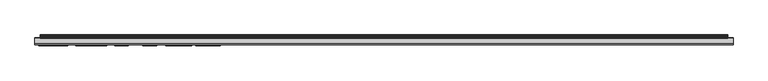
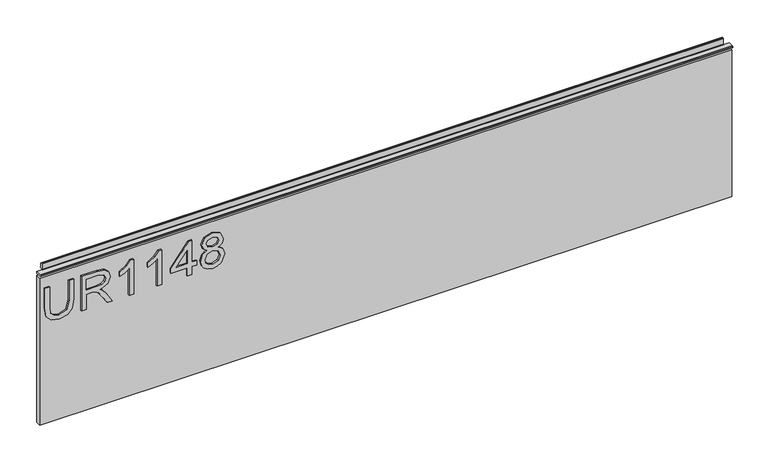
"""IFC4 building model written with IfcOpenShell, lengths in millimetres: furniture geometry."""

from ifc_helpers import new_model, si_unit, frame, origin, place, context, project, spatial, polyline, outline, extrude, source, transform, mapped, element, save


def furniture_e3cc0733(model_context):
    return source(origin(), model_context, "Body", "SweptSolid", [
        extrude(outline(polyline([(1116.7975569, -249.406548), (1080.2772981, -249.406548), (1064.1741222, -253.4401289), (1059.9848047, -266.9425017), (1062.1028239, -276.3178517), (1068.1220478, -281.7219156), (1080.2772981, -283.2948564), (1116.7975569, -283.2948564), (1116.7975569, -291.268576), (1079.9969721, -291.268576), (1064.0261723, -288.8468702), (1055.0946719, -280.7641349), (1052.011085, -266.1949655), (1055.5540952, -251.3999779), (1064.7425612, -243.5975687), (1079.9969721, -241.4328284), (1116.7975569, -241.4328284), (1116.7975569, -249.406548)])), frame((0.0, -6.7767932, 0.0), z_axis=(0.0, 1.0, 0.0), x_axis=(0.0, 0.0, 1.0)), (0.0, 0.0, 1.0), 2.38125),
        extrude(outline(polyline([(1053.0078, -227.4788191), (1053.0078, -219.5050995), (1080.9158187, -219.5050995), (1080.9158187, -209.8805707), (1080.6354926, -205.2551904), (1079.1170596, -201.4630015), (1074.98225, -197.2503234), (1066.2298468, -191.25446), (1053.0078, -182.9536933), (1053.0078, -173.687359), (1070.294575, -184.3241764), (1078.5018996, -190.7872499), (1081.9125336, -195.3191882), (1087.8461023, -181.9647652), (1099.3394716, -177.6430715), (1108.9873609, -180.2516614), (1115.0766663, -187.2286661), (1116.7975569, -199.9912895), (1116.7975569, -227.4788191), (1053.0078, -227.4788191)]), holes=[polyline([(1088.8895383, -219.5050995), (1108.8238373, -219.5050995), (1108.8238373, -199.6486688), (1106.0672975, -188.9884909), (1099.0435719, -185.6167911), (1093.6317211, -187.3844028), (1090.0186294, -192.5548616), (1088.8895383, -201.6576724), (1088.8895383, -219.5050995)])]), frame((0.0, -6.7767932, 0.0), z_axis=(0.0, 1.0, 0.0), x_axis=(0.0, 0.0, 1.0)), (0.0, 0.0, 1.0), 2.38125),
        extrude(outline(polyline([(1053.0078, -136.7777584), (1116.7975569, -136.7777584), (1116.7975569, -141.9170699), (1108.3099062, -149.0108771), (1100.8501177, -160.6989173), (1093.3124609, -160.6989173), (1097.3382549, -152.3047085), (1102.7189582, -144.751478), (1053.0078, -144.751478), (1053.0078, -136.7777584)])), frame((0.0, -6.7767932, 0.0), z_axis=(0.0, 1.0, 0.0), x_axis=(0.0, 0.0, 1.0)), (0.0, 0.0, 1.0), 2.38125),
        extrude(outline(polyline([(1053.0078, -87.9387258), (1116.7975569, -87.9387258), (1116.7975569, -93.0780372), (1108.3099062, -100.1718444), (1100.8501177, -111.8598846), (1093.3124609, -111.8598846), (1097.3382549, -103.4656759), (1102.7189582, -95.9124454), (1053.0078, -95.9124454), (1053.0078, -87.9387258)])), frame((0.0, -6.7767932, 0.0), z_axis=(0.0, 1.0, 0.0), x_axis=(0.0, 0.0, 1.0)), (0.0, 0.0, 1.0), 2.38125),
        extrude(outline(polyline([(1053.0078, -43.0865529), (1053.0078, -35.1128333), (1067.9585243, -35.1128333), (1067.9585243, -27.1391137), (1075.9322439, -27.1391137), (1075.9322439, -35.1128333), (1115.800842, -35.1128333), (1115.800842, -41.093123), (1075.9322439, -71.9912865), (1067.9585243, -71.9912865), (1067.9585243, -43.0865529), (1053.0078, -43.0865529)]), holes=[polyline([(1075.9322439, -43.0865529), (1075.9322439, -62.1798737), (1100.5697916, -43.0865529), (1075.9322439, -43.0865529)])]), frame((0.0, -6.7767932, 0.0), z_axis=(0.0, 1.0, 0.0), x_axis=(0.0, 0.0, 1.0)), (0.0, 0.0, 1.0), 2.38125),
        extrude(outline(polyline([(1088.1420021, -8.5441504), (1082.3485964, -17.1408168), (1071.7896474, -20.162109), (1064.0320125, -18.7215444), (1057.6721145, -14.3998507), (1053.4263424, -7.7265326), (1052.011085, 0.768905), (1053.4205023, 9.2643426), (1057.648754, 15.9376607), (1071.571616, 21.699919), (1081.8891731, 18.7954293), (1088.1420021, 10.3155654), (1093.071069, 17.3782252), (1100.5853653, 19.7064891), (1112.0787346, 14.4737356), (1116.7975569, 0.6598893), (1112.1877503, -13.0293676), (1100.8033967, -18.1686791), (1093.0944295, -15.8092679), (1088.1420021, -8.5441504)]), holes=[polyline([(1100.5697916, -10.1949595), (1106.3943446, -7.3216172), (1108.8238373, 0.768905), (1106.3398368, 8.8360666), (1100.2115972, 11.7327695), (1094.2936022, 8.9295087), (1091.8796831, 0.862347), (1094.3091758, -7.3683382), (1100.5697916, -10.1949595)]), polyline([(1072.0699735, -12.1883894), (1080.5264769, -8.8166896), (1083.9059635, 0.5664473), (1080.4797559, 10.2221234), (1071.8207947, 13.7261994), (1063.3253571, 10.3311391), (1059.9848047, 0.8311997), (1061.5733191, -6.145805), (1066.0663232, -10.8568405), (1072.0699735, -12.1883894)])]), frame((0.0, -6.7767932, 0.0), z_axis=(0.0, 1.0, 0.0), x_axis=(0.0, 0.0, 1.0)), (0.0, 0.0, 1.0), 2.38125),
        extrude(outline(polyline([(5.5562561, 1143.0), (6.3500061, 1143.0), (6.3500061, 1152.87425), (7.1437561, 1153.668), (8.6677569, 1153.668), (10.0084363, 1153.2506926), (10.875413, 1152.1461816), (10.9623604, 1150.7447591), (10.2390011, 1147.7863459), (10.4046103, 1146.5833307), (11.6746103, 1144.3836103), (10.7786383, 1143.8663244), (7.1437561, 1143.8663244), (7.1437561, 1143.0), (6.3500061, 1142.7669239), (6.3500061, 1135.5578), (5.5562561, 1135.5578), (5.5562561, 1143.0)])), frame((-288.671, 0.0, 0.0), z_axis=(1.0, 0.0, 0.0), x_axis=(0.0, 1.0, 0.0)), (0.0, 0.0, 1.0), 1186.942),
        extrude(outline(polyline([(5.5562561, 1143.0), (5.5562561, 1139.8249996), (-3.975094, 1139.8249996), (-5.3492339, 1140.6183657), (-5.3492339, 1142.2066395), (-3.9751037, 1143.0), (5.5562561, 1143.0)])), frame((-298.196, 0.0, 0.0), z_axis=(1.0, 0.0, 0.0), x_axis=(0.0, 1.0, 0.0)), (0.0, 0.0, 1.0), 1205.992),
        extrude(outline(polyline([(907.796, 6.3500061), (907.796, -3.1749939), (-298.196, -3.1749939), (-298.196, 6.3500061), (907.796, 6.3500061)])), frame((0.0, 0.0, 864.4381927), z_axis=(0.0, 0.0, 1.0), x_axis=(1.0, 0.0, 0.0)), (0.0, 0.0, 1.0), 271.1196073),
    ])


if __name__ == "__main__":
    model = new_model("IFC4")
    model_context = context("Model", 3, world=origin())
    ifc_project = project(units=[si_unit("LENGTHUNIT", "METRE", prefix="MILLI")], contexts=[model_context])
    site = spatial("IfcSite", under=ifc_project)
    building = spatial("IfcBuilding", under=site)
    placement = place(None, origin())
    furniture_shape = furniture_e3cc0733(model_context)
    element("IfcFurniture", 1, at=placement, inside=building, context=model_context, shape_type="MappedRepresentation", body=[
        mapped(furniture_shape, transform((0.0, 0.0, 0.0), x_axis=(1.0, 0.0, 0.0), y_axis=(0.0, 1.0, 0.0), z_axis=(0.0, 0.0, 1.0))),
    ])
    save(model, "model.ifc")
